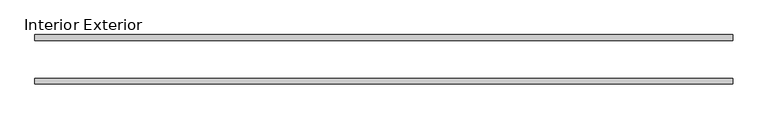
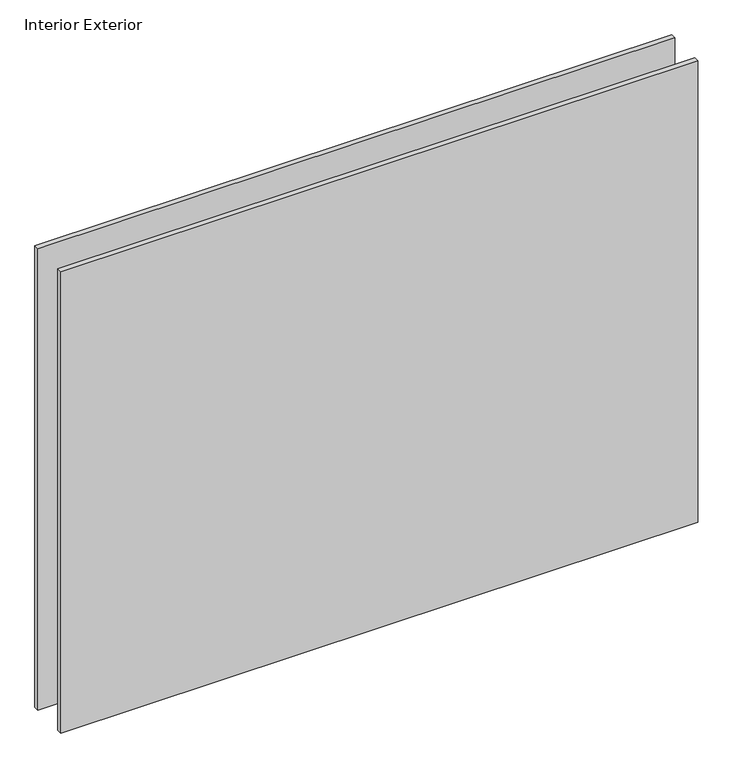
"""IFC4 building model written with IfcOpenShell, lengths in millimetres: plate geometry, Interior Exterior."""

from ifc_helpers import new_model, si_unit, frame, origin, place, context, project, spatial, polyline, outline, extrude, source, transform, mapped, element, save


def interior_exterior_aab07eff(model_context):
    return source(origin(), model_context, "Body", "SweptSolid", [
        extrude(outline(polyline([(576.2625, -41.275), (-592.1375, -41.275), (-592.1375, -31.75), (576.2625, -31.75), (576.2625, -41.275)])), frame((0.0, 0.0, -25.4), z_axis=(0.0, 0.0, 1.0), x_axis=(1.0, 0.0, 0.0)), (0.0, 0.0, 1.0), 894.8000008),
        extrude(outline(polyline([(576.2625, 41.275), (576.2625, 31.75), (-592.1375, 31.75), (-592.1375, 41.275), (576.2625, 41.275)])), frame((0.0, 0.0, -25.4), z_axis=(0.0, 0.0, 1.0), x_axis=(1.0, 0.0, 0.0)), (0.0, 0.0, 1.0), 894.8000008),
    ])


if __name__ == "__main__":
    model = new_model("IFC4")
    model_context = context("Model", 3, world=origin())
    ifc_project = project(units=[si_unit("LENGTHUNIT", "METRE", prefix="MILLI")], contexts=[model_context])
    site = spatial("IfcSite", under=ifc_project)
    building = spatial("IfcBuilding", under=site)
    placement = place(None, origin())
    interior_exterior_shape = interior_exterior_aab07eff(model_context)
    element("IfcPlate", 1, ObjectType="Interior Exterior", at=placement, inside=building, context=model_context, shape_type="MappedRepresentation", body=[
        mapped(interior_exterior_shape, transform((0.0, 0.0, 0.0), x_axis=(1.0, 0.0, 0.0), y_axis=(0.0, 1.0, 0.0), z_axis=(0.0, 0.0, 1.0))),
    ])
    save(model, "model.ifc")
